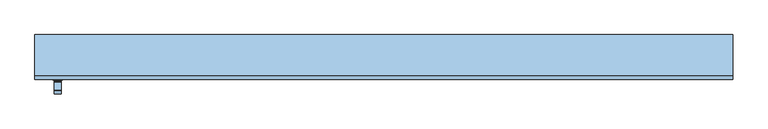
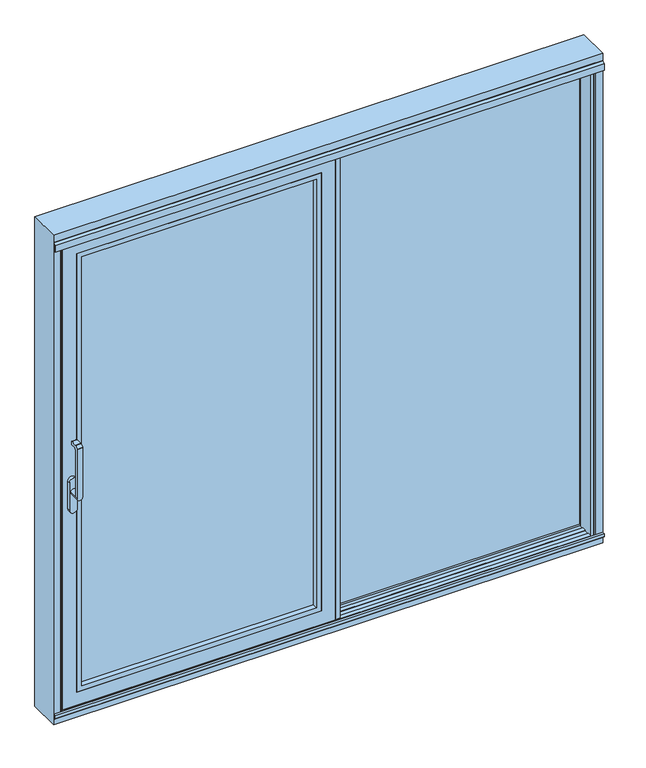
"""IFC4 building model written with IfcOpenShell, lengths in millimetres: window geometry."""

from ifc_helpers import new_model, si_unit, point, frame, frame_2d, origin, origin_with_axes, place, context, project, spatial, polyline, circle_curve, trimmed, segment, composite_curve, outline, extrude, faceted_brep, source, transform, mapped, element, save
from ifc_brep_helpers import plane_surface, cylinder_surface, revolved_surface, advanced_brep


def window_52e6b93e(model_context):
    return source(origin(), model_context, "Body", "SolidModel", [
        advanced_brep(
        [(-1123.75, -121.9999695, 999.005052), (-1099.75, -121.9999695, 999.005052), (-1099.75, -121.9999695, 1224.2360009), (-1123.75, -121.9999695, 1224.2360009), (-1123.75, -73.9999695, 999.005052), (-1099.75, -73.9999695, 999.005052), (-1123.75, -109.9999695, 999.005052), (-1099.75, -109.9999695, 999.005052), (-1099.75, -109.9999695, 1214.6494011), (-1099.75, -102.6493095, 1222.000061), (-1099.75, -81.9999695, 1222.000061), (-1099.75, -79.9999695, 1224.000061), (-1099.75, -79.9999695, 1235.000061), (-1099.75, -81.9999695, 1237.000061), (-1099.75, -109.2359094, 1237.000061), (-1099.75, -110.6501229, 1236.4142746), (-1099.75, -121.414183, 1225.6502145), (-1123.75, -121.414183, 1225.6502145), (-1123.75, -110.6501229, 1236.4142746), (-1123.75, -109.2359094, 1237.000061), (-1123.75, -81.9999695, 1237.000061), (-1123.75, -79.9999695, 1235.000061), (-1123.75, -79.9999695, 1224.000061), (-1123.75, -81.9999695, 1222.000061), (-1123.75, -102.6493095, 1222.000061), (-1123.75, -109.9999695, 1214.6494011)],
        [
            (0, 1, circle_curve(frame((-1111.75, -121.9999695, 999.005052), z_axis=(0.0, -1.0, 0.0), x_axis=(1.0000000000000009, 0.0, 0.0)), 12.0)),
            (1, 2),
            (2, 3),
            (3, 0),
            (4, 5, circle_curve(frame((-1111.75, -73.9999695, 999.005052), z_axis=(0.0, 1.0, 0.0), x_axis=(1.0000000000000009, 0.0, 0.0)), 12.0)),
            (5, 4, circle_curve(frame((-1111.75, -73.9999695, 999.005052), z_axis=(0.0, 1.0, 0.0), x_axis=(1.0000000000000009, 0.0, 0.0)), 12.0)),
            (0, 6),
            (6, 4),
            (5, 7),
            (7, 1),
            (6, 7, circle_curve(frame((-1111.75, -109.9999695, 999.005052), z_axis=(0.0, 1.0, 0.0), x_axis=(1.0000000000000009, 0.0, 0.0)), 12.0)),
            (7, 8),
            (8, 9, circle_curve(frame((-1099.75, -102.6493095, 1214.6494011), z_axis=(-1.0, 0.0, 0.0), x_axis=(0.0, 0.0, -1.0)), 7.35066)),
            (9, 10),
            (10, 11, circle_curve(frame((-1099.75, -81.9999695, 1224.000061), z_axis=(1.0, 0.0, 0.0), x_axis=(0.0, 0.0, -1.0)), 2.0)),
            (11, 12),
            (12, 13, circle_curve(frame((-1099.75, -81.9999695, 1235.000061), z_axis=(1.0, 0.0, 0.0), x_axis=(0.0, 0.0, -1.0)), 2.0)),
            (13, 14),
            (14, 15, circle_curve(frame((-1099.75, -109.2359094, 1235.000061), z_axis=(1.0, 0.0, 0.0), x_axis=(0.0, 0.0, -1.0)), 2.0)),
            (15, 16),
            (16, 2, circle_curve(frame((-1099.75, -119.9999695, 1224.2360009), z_axis=(1.0, 0.0, 0.0), x_axis=(0.0, 0.0, -1.0)), 2.0)),
            (3, 17, circle_curve(frame((-1123.75, -119.9999695, 1224.2360009), z_axis=(-1.0, 0.0, 0.0), x_axis=(0.0, 0.0, -1.0)), 2.0)),
            (17, 18),
            (18, 19, circle_curve(frame((-1123.75, -109.2359094, 1235.000061), z_axis=(-1.0, 0.0, 0.0), x_axis=(0.0, 0.0, -1.0)), 2.0)),
            (19, 20),
            (20, 21, circle_curve(frame((-1123.75, -81.9999695, 1235.000061), z_axis=(-1.0, 0.0, 0.0), x_axis=(0.0, 0.0, -1.0)), 2.0)),
            (21, 22),
            (22, 23, circle_curve(frame((-1123.75, -81.9999695, 1224.000061), z_axis=(-1.0, 0.0, 0.0), x_axis=(0.0, 0.0, -1.0)), 2.0)),
            (23, 24),
            (24, 25, circle_curve(frame((-1123.75, -102.6493095, 1214.6494011), z_axis=(1.0, 0.0, 0.0), x_axis=(0.0, 0.0, -1.0)), 7.35066)),
            (25, 6),
            (25, 8),
            (24, 9),
            (23, 10),
            (22, 11),
            (21, 12),
            (20, 13),
            (19, 14),
            (18, 15),
            (17, 16),
        ],
        [
            plane_surface(frame((-1099.75, -121.9999695, 999.005052), z_axis=(0.0, -1.0, 0.0), x_axis=(0.0, 0.0, 1.0))),
            plane_surface(frame((-1099.75, -73.9999695, 999.005052), z_axis=(0.0, 1.0, 0.0), x_axis=(0.0, 0.0, -1.0))),
            cylinder_surface(frame((-1111.75, -73.9999695, 999.005052), z_axis=(0.0, -1.0000000000000009, 0.0), x_axis=(1.0000000000000009, 0.0, 0.0)), 12.0),
            plane_surface(frame((-1099.75, -121.9999695, 1004.7503433), z_axis=(1.0, 0.0, 0.0), x_axis=(0.0, 0.0, -1.0))),
            plane_surface(frame((-1123.75, -121.9999695, 1004.7503433), z_axis=(-1.0, 0.0, 0.0), x_axis=(0.0, 0.0, 1.0))),
            plane_surface(frame((-1099.75, -109.9999695, 999.0), z_axis=(0.0, 1.0, 0.0), x_axis=(-1.0, 0.0, 0.0))),
            revolved_surface(polyline([(-1123.75, -102.6493095, 1207.2987411), (-1099.75, -102.6493095, 1207.2987411)]), (-1123.75, -102.6493095, 1214.6494011), (-1.0000000000000009, 0.0, 0.0)),
            plane_surface(frame((-1099.75, -102.6493095, 1222.000061), z_axis=(0.0, 0.0, -1.0), x_axis=(-1.0, 0.0, 0.0))),
            cylinder_surface(frame((-1123.75, -81.9999695, 1224.000061), z_axis=(1.0000000000000009, 0.0, 0.0), x_axis=(0.0, 0.0, -1.0)), 2.0),
            plane_surface(frame((-1099.75, -79.9999695, 1224.000061), z_axis=(0.0, 1.0, 0.0), x_axis=(-1.0, 0.0, 0.0))),
            cylinder_surface(frame((-1123.75, -81.9999695, 1235.000061), z_axis=(1.0000000000000009, 0.0, 0.0), x_axis=(0.0, 0.0, -1.0)), 2.0),
            plane_surface(frame((-1099.75, -81.9999695, 1237.000061), z_axis=(0.0, 0.0, 1.0), x_axis=(-1.0, 0.0, 0.0))),
            cylinder_surface(frame((-1123.75, -109.2359094, 1235.000061), z_axis=(1.0000000000000009, 0.0, 0.0), x_axis=(0.0, 0.0, -1.0)), 2.0),
            plane_surface(frame((-1099.75, -110.6501229, 1236.4142746), z_axis=(0.0, -0.7071067811865419, 0.7071067811865531), x_axis=(-1.0, 0.0, 0.0))),
            cylinder_surface(frame((-1123.75, -119.9999695, 1224.2360009), z_axis=(1.0000000000000009, 0.0, 0.0), x_axis=(0.0, 0.0, -1.0)), 2.0),
        ],
        [
            (0, [[1, 2, 3, 4]]),
            (1, [[5, 6]]),
            (2, [[-1, 7, 8, -6, 9, 10]]),
            (2, [[-5, -8, 11, -9]]),
            (3, [[-2, -10, 12, 13, 14, 15, 16, 17, 18, 19, 20, 21]]),
            (4, [[22, 23, 24, 25, 26, 27, 28, 29, 30, 31, -7, -4]]),
            (5, [[-12, -11, -31, 32]]),
            (6, [[-13, -32, -30, 33]]),
            (7, [[-14, -33, -29, 34]]),
            (8, [[-15, -34, -28, 35]]),
            (9, [[-16, -35, -27, 36]]),
            (10, [[-17, -36, -26, 37]]),
            (11, [[-18, -37, -25, 38]]),
            (12, [[-19, -38, -24, 39]]),
            (13, [[-20, -39, -23, 40]]),
            (14, [[-21, -40, -22, -3]]),
        ],
    ),
        extrude(outline(composite_curve([segment(trimmed(circle_curve(frame_2d((917.2823932, -1111.75)), 16.75), [point((917.2823932, -1128.5))], [point((917.2823932, -1095.0))], False, "CARTESIAN"), True, "CONTINUOUS"), segment(polyline([(917.2823932, -1095.0), (1044.0099288, -1095.0)]), True, "CONTINUOUS"), segment(trimmed(circle_curve(frame_2d((1044.0099288, -1111.75)), 16.75), [point((1044.0099288, -1095.0))], [point((1044.0099288, -1128.5))], False, "CARTESIAN"), True, "CONTINUOUS"), segment(polyline([(1044.0099288, -1128.5), (917.2823932, -1128.5)]), True, "CONTINUOUS")], self_intersect=False)), frame((0.0, -73.9999695, 0.0), z_axis=(0.0, 1.0, 0.0), x_axis=(0.0, 0.0, 1.0)), (0.0, 0.0, 1.0), 13.9999695),
        extrude(outline(polyline([(-0.0016236, 15.9999745), (50.9999695, 15.9999745), (50.9999695, -60.0), (31.0, -60.0), (31.0, -54.5), (47.1999044, -54.5), (47.1999044, -2.55e-05), (-0.0016236, -2.55e-05), (-0.0016236, 15.9999745)])), frame((0.0, 0.0, 4.0), z_axis=(0.0, 0.0, 1.0), x_axis=(1.0, 0.0, 0.0)), (0.0, 0.0, 1.0), 2127.0),
        extrude(outline(polyline([(2071.0, -1090.0), (64.0, -1090.0), (64.0, -29.0), (2071.0, -29.0), (2071.0, -1090.0)]), holes=[polyline([(2048.987351, -51.012649), (86.012649, -51.012649), (86.012649, -1067.987351), (2048.987351, -1067.987351), (2048.987351, -51.012649)])]), frame((0.0, -60.0, 0.0), z_axis=(0.0, 1.0, 0.0), x_axis=(0.0, 0.0, 1.0)), (0.0, 0.0, 1.0), 22.9999656),
        extrude(outline(polyline([(-1090.0, -11.0000344), (-29.0, -11.0000344), (-29.0, -37.0000344), (-1090.0, -37.0000344), (-1090.0, -11.0000344)])), frame((0.0, 0.0, 64.0), z_axis=(0.0, 0.0, 1.0), x_axis=(1.0, 0.0, 0.0)), (0.0, 0.0, 1.0), 2007.0),
        faceted_brep([(-51.0, -11.0000344, 2049.0), (-51.0, -2.55e-05, 2049.0), (-51.0, -2.55e-05, 86.0), (-51.0, -11.0000344, 86.0), (31.0017184, -2.55e-05, 2131.0017184), (31.0017184, -2.55e-05, 3.9982816), (-1150.0017184, -2.55e-05, 3.9982816), (-1150.0017184, -2.55e-05, 2131.0017184), (-1068.0, -2.55e-05, 2049.0), (-1068.0, -2.55e-05, 86.0), (-1068.0, -11.0000344, 86.0), (-1090.0, -11.0000344, 2071.0), (-1090.0, -11.0000344, 64.0), (-29.0, -11.0000344, 64.0), (-29.0, -11.0000344, 2071.0), (-1068.0, -11.0000344, 2049.0), (-29.0, -60.0, 2071.0), (-29.0, -60.0, 64.0), (-1090.0, -60.0, 64.0), (-1150.0, -60.0, 2131.0), (-1150.0, -60.0, 4.0), (31.0, -60.0, 4.0), (31.0, -60.0, 2131.0), (-1090.0, -60.0, 2071.0), (31.0, -54.5, 2131.0), (31.0, -54.5, 4.0), (-1150.0, -54.5, 4.0), (-1150.0, -54.5, 2131.0), (-1120.0, -54.5, 2101.0), (-1120.0, -54.5, 34.0), (1.0, -54.5, 34.0), (1.0, -54.5, 2101.0), (1.0, -5.4999923, 2101.0), (1.0, -5.4999923, 34.0), (-1120.0, -5.4999923, 34.0), (-1150.0017184, -5.4999923, 2131.0017184), (-1150.0017184, -5.4999923, 3.9982816), (31.0017184, -5.4999923, 3.9982816), (31.0017184, -5.4999923, 2131.0017184), (-1120.0, -5.4999923, 2101.0)], [[[0, 1, 2, 3]], [[4, 5, 6, 7], [8, 9, 2, 1]], [[3, 2, 9, 10]], [[11, 12, 13, 14], [0, 3, 10, 15]], [[16, 14, 13, 17]], [[17, 13, 12, 18]], [[19, 20, 21, 22], [16, 17, 18, 23]], [[24, 22, 21, 25]], [[25, 21, 20, 26]], [[24, 25, 26, 27], [28, 29, 30, 31]], [[32, 31, 30, 33]], [[33, 30, 29, 34]], [[35, 36, 37, 38], [32, 33, 34, 39]], [[4, 38, 37, 5]], [[5, 37, 36, 6]], [[10, 9, 8, 15]], [[18, 12, 11, 23]], [[26, 20, 19, 27]], [[34, 29, 28, 39]], [[6, 36, 35, 7]], [[15, 8, 1, 0]], [[23, 11, 14, 16]], [[27, 19, 22, 24]], [[39, 28, 31, 32]], [[7, 35, 38, 4]]]),
        extrude(outline(polyline([(1139.0, 15.0), (1158.0007202, 15.0), (1158.0007202, 11.0), (1142.0, 11.0), (1142.0, -48.2882381), (1150.0, -51.2), (1150.0, -60.0), (1139.0, -60.0), (1139.0, 15.0)])), frame((0.0, 0.0, -3.0), z_axis=(0.0, 0.0, 1.0), x_axis=(1.0, 0.0, 0.0)), (0.0, 0.0, 1.0), 2158.2007202),
        extrude(outline(polyline([(1164.0, 30.9998071), (27.0000305, 30.9998071), (27.0000305, 56.9998071), (1164.0, 56.9998071), (1164.0, 30.9998071)])), frame((0.0, 0.0, -25.0), z_axis=(0.0, 0.0, 1.0), x_axis=(1.0, 0.0, 0.0)), (0.0, 0.0, 1.0), 2189.0),
        extrude(outline(polyline([(2164.0, 27.0000305), (-25.0, 27.0000305), (-25.0, 1164.0), (2164.0, 1164.0), (2164.0, 27.0000305)]), holes=[polyline([(2141.9998171, 1141.9998171), (-2.9998171, 1141.9998171), (-2.9998171, 49.0002134), (2141.9998171, 49.0002134), (2141.9998171, 1141.9998171)])]), frame((0.0, 56.9998071, 0.0), z_axis=(0.0, 1.0, 0.0), x_axis=(0.0, 0.0, 1.0)), (0.0, 0.0, 1.0), 23.0001929),
        extrude(outline(polyline([(-1139.0, 5.0001885), (-1158.0007202, 5.0001885), (-1158.0007202, 9.0001885), (-1142.0, 9.0001885), (-1142.0, 36.4449661), (-1153.7767036, 61.7001885), (-1164.0, 61.7001885), (-1164.0, 79.9999826), (-1158.999904, 79.9999826), (-1139.0, 37.1100501), (-1139.0, 5.0001885)])), origin_with_axes(), (0.0, 0.0, 1.0), 2120.9),
        faceted_brep([(-1190.0, 80.0, -51.0), (1190.0, 80.0, -51.0), (1190.0, -60.0, -51.0), (-1190.0, -60.0, -51.0), (-1190.0, -60.0, 2190.0), (-1190.0, 80.0, 2190.0), (1158.0007202, 20.0, -25.0), (1158.0007202, -8.7999745, -25.0), (1158.0007202, -8.7999745, 2155.2007202), (1158.0007202, 20.0, 2155.2007202), (-1142.0, 30.9998071, 2142.0), (-1142.0, 30.9998071, -3.0), (-51.0, 30.9998071, -3.0), (-51.0, 30.9998071, -25.0), (-1164.0, 30.9998071, -25.0), (-1164.0, 30.9998071, 2164.0), (-51.0, 30.9998071, 2164.0), (-51.0, 30.9998071, 2142.0), (1164.0, 30.9998071, 2164.0), (1164.0, 30.9998071, -25.0), (27.0000305, 30.9998071, -25.0), (27.0000305, 30.9998071, 2164.0), (1142.0, 30.9998071, -3.0), (1142.0, 30.9998071, 2142.0), (51.0, 30.9998071, 2142.0), (51.0, 30.9998071, -3.0), (1142.0, 20.0, -3.0), (1142.0, 20.0, 2142.0), (0.0, 20.0, 2155.2007202), (0.0, 20.0, -25.0), (51.0, 20.0, -3.0), (51.0, 20.0, 2142.0), (-1142.0, 20.0, -3.0), (-1142.0, 20.0, 2142.0), (-51.0, 20.0, 2142.0), (-51.0, 20.0, 2155.2007202), (-1158.0007202, 20.0, 2155.2007202), (-1158.0007202, 20.0, -25.0), (-51.0, 20.0, -25.0), (-51.0, 20.0, -3.0), (1190.0, -60.0, 2190.0), (1190.0, 80.0, 2190.0), (-1164.0, 80.0, -25.0), (-51.0, 80.0, -25.0), (-51.0, 80.0, 2164.0), (-1164.0, 80.0, 2164.0), (1164.0, 80.0, -25.0), (1164.0, 80.0, 2164.0), (27.0000305, 80.0, 2164.0), (27.0000305, 80.0, -25.0), (1158.0, -60.0, -19.0), (-1158.0, -60.0, -19.0), (-1158.0, -60.0, 2157.5), (1158.0, -60.0, 2157.5), (1158.0, -51.2, -19.0), (1158.0, -51.2, 2157.5), (-1158.0, -51.2, -19.0), (-1158.0, -51.2, 2157.5), (1150.0, -51.2, -11.0), (-1150.0, -51.2, -11.0), (-1150.0, -51.2, 2150.0), (1150.0, -51.2, 2150.0), (1142.0, -48.2882381, -3.0), (1142.0, -48.2882381, 2142.0), (1142.0, -48.2882381, 2130.9117619), (1146.7030271, -50.0, 2129.2), (1146.7030271, -50.0, 2122.0), (1142.0, -48.2882381, 2122.0), (-1142.0, -48.2882381, -3.0), (1142.0, -11.7119985, -3.0), (-1142.0, -11.7120235, -3.0), (-1142.0, -48.2882381, 2122.0), (-1146.7030271, -50.0, 2122.0), (-1146.7030271, -50.0, 2129.2), (-1142.0, -48.2882381, 2130.9117619), (-1142.0, -48.2882381, 2142.0), (1142.0, -44.2, 2142.0), (1142.0, -44.2, 2135.0), (1142.0, -11.7119985, 2122.0), (1142.0, -11.7119985, 2155.2007202), (1142.0, -11.7119985, 2130.9119985), (1142.0, -15.8, 2135.0), (1142.0, -15.8, 2155.2007202), (1150.0007202, -8.7999745, -11.0007902), (-1150.0007202, -8.7999745, -11.0007902), (-1142.0, -11.7119993, 2122.0), (-1142.0, -44.2, 2135.0), (-1142.0, -44.2, 2142.0), (-1142.0, -11.7119992, 2130.9119986), (-1142.0, -11.7119989, 2155.2007202), (-1142.0, -15.8, 2155.2007202), (-1142.0, -15.8, 2135.0), (1146.7036773, -10.0, 2122.0), (1146.7036773, -10.0, 2129.2), (1150.0007202, -8.7999745, 2155.2007202), (-1158.0007202, -8.7999745, -25.0), (-1158.0007202, -8.7999745, 2155.2007202), (-1150.0007202, -8.7999745, 2155.2007202), (-1146.7036773, -10.0, 2129.2), (-1146.7036773, -10.0, 2122.0), (0.0, 4.0, -25.0), (-51.0, 4.0, -25.0), (-51.0, 4.0, 2155.2007202), (0.0, 4.0, 2155.2007202)], [[[0, 1, 2, 3]], [[0, 3, 4, 5]], [[6, 7, 8, 9]], [[10, 11, 12, 13, 14, 15, 16, 17]], [[18, 19, 20, 21], [22, 23, 24, 25]], [[22, 26, 27, 23]], [[6, 9, 28, 29], [27, 26, 30, 31]], [[32, 33, 34, 35, 36, 37, 38, 39]], [[40, 41, 5, 4]], [[41, 1, 0, 5], [42, 43, 44, 45], [46, 47, 48, 49]], [[41, 40, 2, 1]], [[3, 2, 40, 4], [50, 51, 52, 53]], [[54, 50, 53, 55]], [[50, 54, 56, 51]], [[56, 54, 55, 57], [58, 59, 60, 61]], [[51, 56, 57, 52]], [[62, 58, 61, 63, 64, 65, 66, 67]], [[58, 62, 68, 59]], [[62, 69, 70, 68]], [[59, 68, 71, 72, 73, 74, 75, 60]], [[64, 63, 76, 77]], [[69, 62, 67, 78]], [[79, 80, 81, 82]], [[69, 83, 84, 70]], [[68, 70, 85, 71]], [[75, 74, 86, 87]], [[88, 89, 90, 91]], [[83, 69, 78, 92, 93, 80, 79, 94]], [[84, 83, 94, 8, 7, 95, 96, 97]], [[70, 84, 97, 89, 88, 98, 99, 85]], [[7, 6, 29, 100, 101, 38, 37, 95]], [[95, 37, 36, 96]], [[26, 22, 25, 30]], [[11, 32, 39, 12]], [[32, 11, 10, 33]], [[20, 19, 46, 49]], [[42, 14, 13, 43]], [[14, 42, 45, 15]], [[46, 19, 18, 47]], [[15, 45, 44, 16]], [[47, 18, 21, 48]], [[23, 27, 31, 24]], [[33, 10, 17, 34]], [[82, 90, 89, 97, 96, 36, 35, 102, 103, 28, 9, 8, 94, 79]], [[99, 92, 78, 67, 66, 72, 71, 85]], [[98, 93, 92, 99]], [[91, 81, 80, 93, 98, 88]], [[90, 82, 81, 91]], [[63, 75, 87, 76]], [[86, 77, 76, 87]], [[73, 65, 64, 77, 86, 74]], [[61, 60, 75, 63]], [[72, 66, 65, 73]], [[53, 52, 57, 55]], [[29, 28, 103, 100]], [[102, 101, 100, 103]], [[44, 43, 13, 12, 39, 38, 101, 102, 35, 34, 17, 16]], [[31, 30, 25, 24]], [[49, 48, 21, 20]]]),
        extrude(outline(polyline([(-73.0, -2.0), (-60.0, -2.0), (-60.0, -21.8), (-66.4, -21.8), (-73.0, -15.2), (-73.0, -2.0)])), frame((-1190.0, 0.0, 0.0), z_axis=(1.0, 0.0, 0.0), x_axis=(0.0, 1.0, 0.0)), (0.0, 0.0, 1.0), 2380.0),
        extrude(outline(polyline([(-51.2000255, 2150.5), (-68.5243789, 2150.5), (-71.0000233, 2149.0706861), (-71.0000233, 2121.5), (-72.6000233, 2121.5), (-72.6000233, 2150.225198), (-59.9996967, 2157.5), (-51.2000255, 2157.5), (-51.2000255, 2150.5)])), frame((-1190.0, 0.0, 0.0), z_axis=(1.0, 0.0, 0.0), x_axis=(0.0, 1.0, 0.0)), (0.0, 0.0, 1.0), 2380.0),
        extrude(outline(polyline([(-60.0, 0.0), (-41.9001183, 0.0), (-41.9001183, -3.0), (-48.2882381, -3.0), (-51.2, -11.0), (-51.2, -19.0), (-60.0, -19.0), (-60.0, 0.0)])), frame((-1139.0, 0.0, 0.0), z_axis=(1.0, 0.0, 0.0), x_axis=(0.0, 1.0, 0.0)), (0.0, 0.0, 1.0), 2278.0),
        extrude(outline(polyline([(-18.1001183, 0.0), (-2.55e-05, 0.0), (-2.55e-05, -25.0), (-8.7999745, -25.0), (-8.7999745, -11.0007902), (-11.712024, -3.0), (-18.1001183, -3.0), (-18.1001183, 0.0)])), frame((-1139.0, 0.0, 0.0), z_axis=(1.0, 0.0, 0.0), x_axis=(0.0, 1.0, 0.0)), (0.0, 0.0, 1.0), 2278.0),
        extrude(outline(polyline([(4.0, 0.0), (80.0, 0.0), (80.0, -25.0), (60.5987802, -25.0), (60.5987802, -3.0), (12.8, -3.0), (12.8, -11.0), (4.0, -11.0), (4.0, 0.0)])), frame((-1164.0, 0.0, 0.0), z_axis=(1.0, 0.0, 0.0), x_axis=(0.0, 1.0, 0.0)), (0.0, 0.0, 1.0), 1113.0),
        extrude(outline(polyline([(80.0, 2120.9), (4.0, 2120.9), (4.0, 2131.0), (20.0, 2131.0), (20.0, 2142.0), (30.9998071, 2142.0), (30.9998071, 2131.0), (60.6, 2131.0), (60.6, 2164.0), (80.0, 2164.0), (80.0, 2120.9)])), frame((-1164.0, 0.0, 0.0), z_axis=(1.0, 0.0, 0.0), x_axis=(0.0, 1.0, 0.0)), (0.0, 0.0, 1.0), 1113.0),
    ])


if __name__ == "__main__":
    model = new_model("IFC4")
    model_context = context("Model", 3, world=origin())
    ifc_project = project(units=[si_unit("LENGTHUNIT", "METRE", prefix="MILLI")], contexts=[model_context])
    site = spatial("IfcSite", under=ifc_project)
    building = spatial("IfcBuilding", under=site)
    placement = place(None, origin())
    window_shape = window_52e6b93e(model_context)
    element("IfcWindow", 1, at=placement, inside=building, context=model_context, shape_type="MappedRepresentation", body=[
        mapped(window_shape, transform((0.0, 0.0, 0.0), x_axis=(1.0, 0.0, 0.0), y_axis=(0.0, 1.0, 0.0), z_axis=(0.0, 0.0, 1.0))),
    ])
    save(model, "model.ifc")
